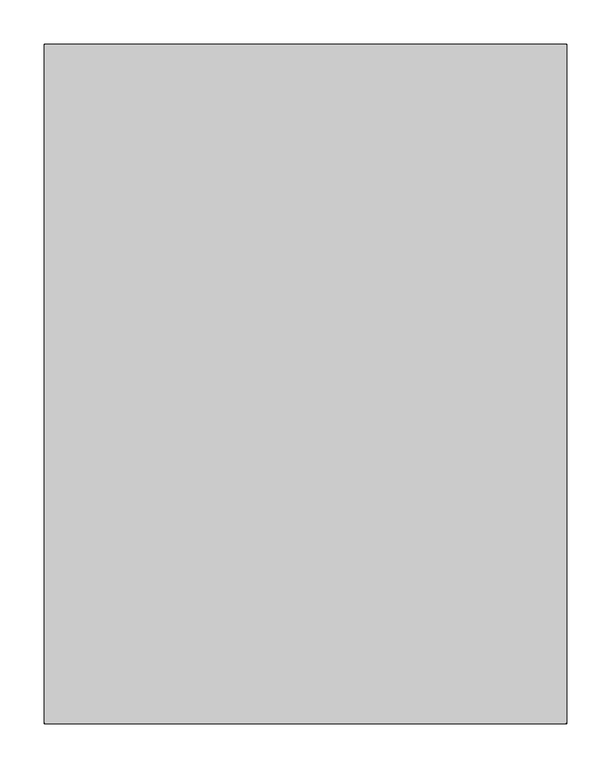
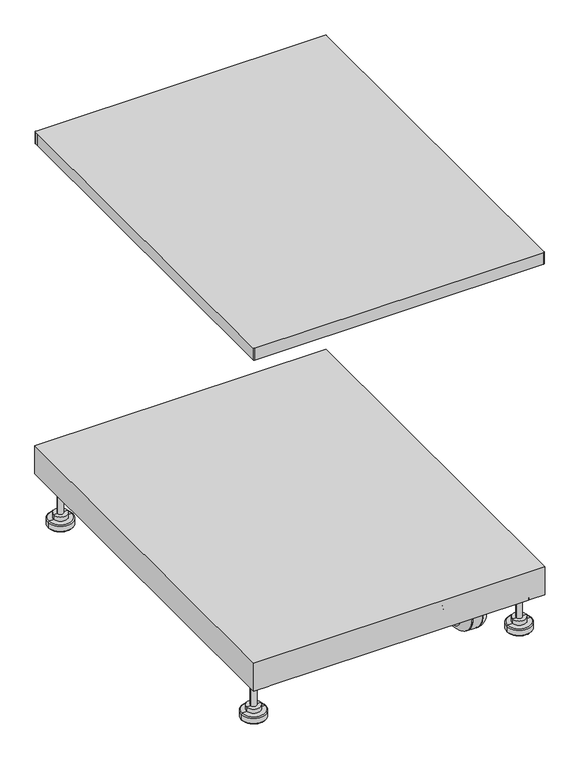
"""IFC4 building model written with IfcOpenShell, lengths in millimetres: proxy geometry."""

from ifc_helpers import new_model, si_unit, point, frame, frame_2d, origin, place, context, project, spatial, polyline, circle_curve, ellipse_curve, trimmed, segment, composite_curve, outline, extrude, source, transform, mapped, element, save
from ifc_brep_helpers import plane_surface, cylinder_surface, revolved_surface, advanced_brep


def specialty_equipment_f11e9312(model_context):
    return source(origin(), model_context, "Body", "SolidModel", [
        advanced_brep(
        [(214.9180611, -283.1953771, 87.8717833), (214.9180611, -283.1953771, 13.5282167), (201.3938056, -283.1953771, 0.0), (201.3938056, -283.1953771, 101.4), (199.9237778, -283.1953771, 87.8717833), (199.9237778, -283.1953771, 13.5282167), (199.9237778, -283.1953771, 101.4), (199.9237778, -283.1953771, 0.0)],
        [
            (0, 1, circle_curve(frame((214.9180611, -283.1953771, 50.7), z_axis=(-1.0, 0.0, 0.0), x_axis=(0.0, 0.0, -1.0)), 37.1717833)),
            (1, 2, circle_curve(frame((199.1270173, -283.1953771, 15.7903806), z_axis=(0.0, 1.0, 0.0), x_axis=(-1.0, 0.0, 0.0)), 15.9522553)),
            (2, 3, circle_curve(frame((201.3938056, -283.1953771, 50.7), z_axis=(1.0, 0.0, 0.0), x_axis=(0.0, 0.0, -1.0)), 50.7)),
            (3, 0, circle_curve(frame((199.1270173, -283.1953771, 85.6096194), z_axis=(0.0, 1.0, 0.0), x_axis=(-1.0, 0.0, 0.0)), 15.9522553)),
            (1, 0, circle_curve(frame((214.9180611, -283.1953771, 50.7), z_axis=(-1.0, 0.0, 0.0), x_axis=(0.0, 0.0, -1.0)), 37.1717833)),
            (3, 2, circle_curve(frame((201.3938056, -283.1953771, 50.7), z_axis=(1.0, 0.0, 0.0), x_axis=(0.0, 0.0, -1.0)), 50.7)),
            (4, 5, circle_curve(frame((199.9237778, -283.1953771, 50.7), z_axis=(-1.0, 0.0, 0.0), x_axis=(0.0, 0.0, -1.0)), 37.1717833)),
            (5, 1),
            (0, 4),
            (5, 4, circle_curve(frame((199.9237778, -283.1953771, 50.7), z_axis=(-1.0, 0.0, 0.0), x_axis=(0.0, 0.0, -1.0)), 37.1717833)),
            (6, 7, circle_curve(frame((199.9237778, -283.1953771, 50.7), z_axis=(-1.0, 0.0, 0.0), x_axis=(0.0, 0.0, -1.0)), 50.7)),
            (7, 5),
            (4, 6),
            (7, 6, circle_curve(frame((199.9237778, -283.1953771, 50.7), z_axis=(-1.0, 0.0, 0.0), x_axis=(0.0, 0.0, -1.0)), 50.7)),
            (2, 7),
            (6, 3),
        ],
        [
            revolved_surface(trimmed(ellipse_curve(frame((199.1270173, -283.1953771, 15.7903806), z_axis=(0.0, -1.0, 0.0), x_axis=(-1.0, 0.0, 0.0)), 15.9522553, 15.9522553), [point((201.3938056, -283.1953771, 0.0))], [point((214.9180611, -283.1953771, 13.5282167))], True, "CARTESIAN"), (234.6164333, -283.1953771, 50.7), (1.0, 0.0, 0.0)),
            revolved_surface(polyline([(214.9180611, -283.1953771, 13.528216700000002), (199.9237778, -283.1953771, 13.528216700000002)]), (234.6164333, -283.1953771, 50.7), (1.0, 0.0, 0.0)),
            plane_surface(frame((199.9237778, -283.1953771, 50.7), z_axis=(-1.0, 0.0, 0.0), x_axis=(0.0, 0.0, -1.0))),
            cylinder_surface(frame((234.6164333, -283.1953771, 50.7), z_axis=(1.0, 0.0, 0.0), x_axis=(0.0, 0.0, -1.0)), 50.7),
        ],
        [
            (0, [[1, 2, 3, 4]]),
            (0, [[5, -4, 6, -2]]),
            (1, [[7, 8, -1, 9]]),
            (1, [[10, -9, -5, -8]]),
            (2, [[11, 12, -7, 13]]),
            (2, [[14, -13, -10, -12]]),
            (3, [[-3, 15, -11, 16]]),
            (3, [[-6, -16, -14, -15]]),
        ],
    ),
        advanced_brep(
        [(179.9314, -283.1953771, 101.4), (179.9314, -283.1953771, 0.0), (178.4613722, -283.1953771, 0.0), (178.4613722, -283.1953771, 101.4), (179.9314, -283.1953771, 87.8717833), (179.9314, -283.1953771, 13.5282167), (164.9371167, -283.1953771, 87.8717833), (164.9371167, -283.1953771, 13.5282167)],
        [
            (0, 1, circle_curve(frame((179.9314, -283.1953771, 50.7), z_axis=(-1.0, 0.0, 0.0), x_axis=(0.0, 0.0, -1.0)), 50.7)),
            (1, 2),
            (2, 3, circle_curve(frame((178.4613722, -283.1953771, 50.7), z_axis=(1.0, 0.0, 0.0), x_axis=(0.0, 0.0, -1.0)), 50.7)),
            (3, 0),
            (1, 0, circle_curve(frame((179.9314, -283.1953771, 50.7), z_axis=(-1.0, 0.0, 0.0), x_axis=(0.0, 0.0, -1.0)), 50.7)),
            (3, 2, circle_curve(frame((178.4613722, -283.1953771, 50.7), z_axis=(1.0, 0.0, 0.0), x_axis=(0.0, 0.0, -1.0)), 50.7)),
            (4, 5, circle_curve(frame((179.9314, -283.1953771, 50.7), z_axis=(-1.0, 0.0, 0.0), x_axis=(0.0, 0.0, -1.0)), 37.1717833)),
            (5, 1),
            (0, 4),
            (5, 4, circle_curve(frame((179.9314, -283.1953771, 50.7), z_axis=(-1.0, 0.0, 0.0), x_axis=(0.0, 0.0, -1.0)), 37.1717833)),
            (6, 7, circle_curve(frame((164.9371167, -283.1953771, 50.7), z_axis=(-1.0, 0.0, 0.0), x_axis=(0.0, 0.0, -1.0)), 37.1717833)),
            (7, 5),
            (4, 6),
            (7, 6, circle_curve(frame((164.9371167, -283.1953771, 50.7), z_axis=(-1.0, 0.0, 0.0), x_axis=(0.0, 0.0, -1.0)), 37.1717833)),
            (2, 7, circle_curve(frame((180.7281604, -283.1953771, 15.7903806), z_axis=(0.0, 1.0, 0.0), x_axis=(1.0, 0.0, 0.0)), 15.9522553)),
            (6, 3, circle_curve(frame((180.7281604, -283.1953771, 85.6096194), z_axis=(0.0, 1.0, 0.0), x_axis=(1.0, 0.0, 0.0)), 15.9522553)),
        ],
        [
            cylinder_surface(frame((234.6164333, -283.1953771, 50.7), z_axis=(1.0, 0.0, 0.0), x_axis=(0.0, 0.0, -1.0)), 50.7),
            plane_surface(frame((179.9314, -283.1953771, 50.7), z_axis=(1.0, 0.0, 0.0), x_axis=(0.0, 0.0, -1.0))),
            revolved_surface(polyline([(179.9314, -283.1953771, 13.528216700000002), (164.9371167, -283.1953771, 13.528216700000002)]), (234.6164333, -283.1953771, 50.7), (1.0, 0.0, 0.0)),
            revolved_surface(trimmed(ellipse_curve(frame((180.7281604, -283.1953771, 15.7903806), z_axis=(0.0, -1.0, 0.0), x_axis=(1.0, 0.0, 0.0)), 15.9522553, 15.9522553), [point((164.9371167, -283.1953771, 13.5282167))], [point((178.4613722, -283.1953771, 0.0))], True, "CARTESIAN"), (234.6164333, -283.1953771, 50.7), (1.0, 0.0, 0.0)),
        ],
        [
            (0, [[1, 2, 3, 4]]),
            (0, [[5, -4, 6, -2]]),
            (1, [[7, 8, -1, 9]]),
            (1, [[10, -9, -5, -8]]),
            (2, [[11, 12, -7, 13]]),
            (2, [[14, -13, -10, -12]]),
            (3, [[-3, 15, -11, 16]]),
            (3, [[-6, -16, -14, -15]]),
        ],
    ),
        extrude(outline(composite_curve([segment(trimmed(circle_curve(frame_2d((-283.1953771, 50.7333101)), 50.7275853), [point((-232.4677918, 50.7333101))], [point((-333.9229623, 50.7333101))], False, "CARTESIAN"), True, "CONTINUOUS"), segment(trimmed(circle_curve(frame_2d((-283.1953771, 50.7333101)), 50.7275853), [point((-333.9229623, 50.7333101))], [point((-232.4677918, 50.7333101))], False, "CARTESIAN"), True, "CONTINUOUS")], self_intersect=False), holes=[composite_curve([segment(trimmed(circle_curve(frame_2d((-283.1953771, 50.7333101)), 37.2275853), [point((-245.9677918, 50.7333101))], [point((-320.4229623, 50.7333101))], True, "CARTESIAN"), True, "CONTINUOUS"), segment(trimmed(circle_curve(frame_2d((-283.1953771, 50.7333101)), 37.2275853), [point((-320.4229623, 50.7333101))], [point((-245.9677918, 50.7333101))], True, "CARTESIAN"), True, "CONTINUOUS")], self_intersect=False)]), frame((179.9314, 0.0, 0.0), z_axis=(1.0, 0.0, 0.0), x_axis=(0.0, 1.0, 0.0)), (0.0, 0.0, 1.0), 19.9923778),
        advanced_brep(
        [(270.0441028, -340.1644278, 0.0), (246.08265, -340.1644278, 0.0), (294.0055556, -340.1644278, 0.0), (276.0712167, -340.1644278, 95.5797917), (264.0169889, -340.1644278, 95.5797917), (270.0441028, -340.1644278, 95.5797917), (276.0712167, -340.1644278, 89.99205), (264.0169889, -340.1644278, 89.99205), (276.0712167, -340.1644278, 25.0212674), (264.0169889, -340.1644278, 25.0212674), (284.0283447, -340.1644278, 25.0212674), (256.0598608, -340.1644278, 25.0212674), (284.0283447, -340.1644278, 16.1978413), (256.0598608, -340.1644278, 16.1978413), (281.9513278, -340.1644278, 14.998675), (258.1368778, -340.1644278, 14.998675), (293.1229361, -340.1644278, 14.998675), (246.9652694, -340.1644278, 14.998675), (295.1815778, -340.1644278, 12.9400333), (244.9066278, -340.1644278, 12.9400333), (295.1815778, -340.1644278, 2.0586417), (244.9066278, -340.1644278, 2.0586417), (294.0055556, -340.1644278, 2.0586417), (246.08265, -340.1644278, 2.0586417)],
        [
            (0, 1),
            (1, 2, circle_curve(frame((270.0441028, -340.1644278, 0.0), z_axis=(0.0, 0.0, -1.0), x_axis=(-1.0, 0.0, 0.0)), 23.9614528)),
            (2, 0),
            (2, 1, circle_curve(frame((270.0441028, -340.1644278, 0.0), z_axis=(0.0, 0.0, -1.0), x_axis=(-1.0, 0.0, 0.0)), 23.9614528)),
            (3, 4, circle_curve(frame((270.0441028, -340.1644278, 95.5797917), z_axis=(0.0, 0.0, 1.0), x_axis=(-1.0, 0.0, 0.0)), 6.0271139)),
            (4, 5),
            (5, 3),
            (4, 3, circle_curve(frame((270.0441028, -340.1644278, 95.5797917), z_axis=(0.0, 0.0, 1.0), x_axis=(-1.0, 0.0, 0.0)), 6.0271139)),
            (6, 7, circle_curve(frame((270.0441028, -340.1644278, 89.99205), z_axis=(0.0, 0.0, 1.0), x_axis=(-1.0, 0.0, 0.0)), 6.0271139)),
            (7, 4),
            (3, 6),
            (7, 6, circle_curve(frame((270.0441028, -340.1644278, 89.99205), z_axis=(0.0, 0.0, 1.0), x_axis=(-1.0, 0.0, 0.0)), 6.0271139)),
            (8, 9, circle_curve(frame((270.0441028, -340.1644278, 25.0212674), z_axis=(0.0, 0.0, 1.0), x_axis=(-1.0, 0.0, 0.0)), 6.0271139)),
            (9, 7),
            (6, 8),
            (9, 8, circle_curve(frame((270.0441028, -340.1644278, 25.0212674), z_axis=(0.0, 0.0, 1.0), x_axis=(-1.0, 0.0, 0.0)), 6.0271139)),
            (10, 11, circle_curve(frame((270.0441028, -340.1644278, 25.0212674), z_axis=(0.0, 0.0, 1.0), x_axis=(-1.0, 0.0, 0.0)), 13.9842419)),
            (11, 9),
            (8, 10),
            (11, 10, circle_curve(frame((270.0441028, -340.1644278, 25.0212674), z_axis=(0.0, 0.0, 1.0), x_axis=(-1.0, 0.0, 0.0)), 13.9842419)),
            (12, 13, circle_curve(frame((270.0441028, -340.1644278, 16.1978413), z_axis=(0.0, 0.0, 1.0), x_axis=(-1.0, 0.0, 0.0)), 13.9842419)),
            (13, 11),
            (10, 12),
            (13, 12, circle_curve(frame((270.0441028, -340.1644278, 16.1978413), z_axis=(0.0, 0.0, 1.0), x_axis=(-1.0, 0.0, 0.0)), 13.9842419)),
            (14, 15, circle_curve(frame((270.0441028, -340.1644278, 14.998675), z_axis=(0.0, 0.0, 1.0), x_axis=(-1.0, 0.0, 0.0)), 11.907225)),
            (15, 13),
            (12, 14),
            (15, 14, circle_curve(frame((270.0441028, -340.1644278, 14.998675), z_axis=(0.0, 0.0, 1.0), x_axis=(-1.0, 0.0, 0.0)), 11.907225)),
            (16, 17, circle_curve(frame((270.0441028, -340.1644278, 14.998675), z_axis=(0.0, 0.0, 1.0), x_axis=(-1.0, 0.0, 0.0)), 23.0788333)),
            (17, 15),
            (14, 16),
            (17, 16, circle_curve(frame((270.0441028, -340.1644278, 14.998675), z_axis=(0.0, 0.0, 1.0), x_axis=(-1.0, 0.0, 0.0)), 23.0788333)),
            (18, 19, circle_curve(frame((270.0441028, -340.1644278, 12.9400333), z_axis=(0.0, 0.0, 1.0), x_axis=(-1.0, 0.0, 0.0)), 25.137475)),
            (19, 17, circle_curve(frame((246.9652694, -340.1644278, 12.9400333), z_axis=(0.0, 1.0, 0.0), x_axis=(1.0, 0.0, 0.0)), 2.0586417)),
            (16, 18, circle_curve(frame((293.1229361, -340.1644278, 12.9400333), z_axis=(0.0, 1.0, 0.0), x_axis=(-1.0, 0.0, 0.0)), 2.0586417)),
            (19, 18, circle_curve(frame((270.0441028, -340.1644278, 12.9400333), z_axis=(0.0, 0.0, 1.0), x_axis=(-1.0, 0.0, 0.0)), 25.137475)),
            (20, 21, circle_curve(frame((270.0441028, -340.1644278, 2.0586417), z_axis=(0.0, 0.0, 1.0), x_axis=(-1.0, 0.0, 0.0)), 25.137475)),
            (21, 19),
            (18, 20),
            (21, 20, circle_curve(frame((270.0441028, -340.1644278, 2.0586417), z_axis=(0.0, 0.0, 1.0), x_axis=(-1.0, 0.0, 0.0)), 25.137475)),
            (22, 23, circle_curve(frame((270.0441028, -340.1644278, 2.0586417), z_axis=(0.0, 0.0, 1.0), x_axis=(-1.0, 0.0, 0.0)), 23.9614528)),
            (23, 21),
            (20, 22),
            (23, 22, circle_curve(frame((270.0441028, -340.1644278, 2.0586417), z_axis=(0.0, 0.0, 1.0), x_axis=(-1.0, 0.0, 0.0)), 23.9614528)),
            (1, 23),
            (22, 2),
        ],
        [
            plane_surface(frame((270.0441028, -340.1644278, 0.0), z_axis=(0.0, 0.0, -1.0), x_axis=(-1.0, 0.0, 0.0))),
            plane_surface(frame((270.0441028, -340.1644278, 95.5797917), z_axis=(0.0, 0.0, 1.0), x_axis=(-1.0, 0.0, 0.0))),
            cylinder_surface(frame((270.0441028, -340.1644278, 105.5797917), z_axis=(0.0, 0.0, -1.0), x_axis=(-1.0, 0.0, 0.0)), 6.0271139),
            plane_surface(frame((270.0441028, -340.1644278, 25.0212674), z_axis=(0.0, 0.0, 1.0), x_axis=(-1.0, 0.0, 0.0))),
            cylinder_surface(frame((270.0441028, -340.1644278, 105.5797917), z_axis=(0.0, 0.0, -1.0), x_axis=(-1.0, 0.0, 0.0)), 13.9842419),
            revolved_surface(polyline([(256.0598608, -340.1644278, 16.1978413), (258.1368778, -340.1644278, 14.998675)]), (270.0441028, -340.1644278, 105.5797917), (0.0, 0.0, -1.0)),
            plane_surface(frame((270.0441028, -340.1644278, 14.998675), z_axis=(0.0, 0.0, 1.0), x_axis=(-1.0, 0.0, 0.0))),
            revolved_surface(trimmed(ellipse_curve(frame((246.9652694, -340.1644278, 12.9400333), z_axis=(0.0, -1.0, 0.0), x_axis=(1.0, 0.0, 0.0)), 2.0586417, 2.0586417), [point((246.9652694, -340.1644278, 14.998675))], [point((244.9066278, -340.1644278, 12.9400333))], True, "CARTESIAN"), (270.0441028, -340.1644278, 105.5797917), (0.0, 0.0, -1.0)),
            cylinder_surface(frame((270.0441028, -340.1644278, 105.5797917), z_axis=(0.0, 0.0, -1.0), x_axis=(-1.0, 0.0, 0.0)), 25.137475),
            plane_surface(frame((270.0441028, -340.1644278, 2.0586417), z_axis=(0.0, 0.0, -1.0), x_axis=(-1.0, 0.0, 0.0))),
            cylinder_surface(frame((270.0441028, -340.1644278, 105.5797917), z_axis=(0.0, 0.0, -1.0), x_axis=(-1.0, 0.0, 0.0)), 23.9614528),
        ],
        [
            (0, [[1, 2, 3]]),
            (0, [[-3, 4, -1]]),
            (1, [[5, 6, 7]]),
            (1, [[8, -7, -6]]),
            (2, [[9, 10, -5, 11]]),
            (2, [[12, -11, -8, -10]]),
            (2, [[13, 14, -9, 15]]),
            (2, [[16, -15, -12, -14]]),
            (3, [[17, 18, -13, 19]]),
            (3, [[20, -19, -16, -18]]),
            (4, [[21, 22, -17, 23]]),
            (4, [[24, -23, -20, -22]]),
            (5, [[25, 26, -21, 27]]),
            (5, [[28, -27, -24, -26]]),
            (6, [[29, 30, -25, 31]]),
            (6, [[32, -31, -28, -30]]),
            (7, [[33, 34, -29, 35]]),
            (7, [[36, -35, -32, -34]]),
            (8, [[37, 38, -33, 39]]),
            (8, [[40, -39, -36, -38]]),
            (9, [[41, 42, -37, 43]]),
            (9, [[44, -43, -40, -42]]),
            (10, [[-2, 45, -41, 46]]),
            (10, [[-4, -46, -44, -45]]),
        ],
    ),
        advanced_brep(
        [(-270.0441028, -340.1644278, 0.0), (-294.0055556, -340.1644278, 0.0), (-246.08265, -340.1644278, 0.0), (-264.0169889, -340.1644278, 95.5797917), (-276.0712167, -340.1644278, 95.5797917), (-270.0441028, -340.1644278, 95.5797917), (-264.0169889, -340.1644278, 89.99205), (-276.0712167, -340.1644278, 89.99205), (-264.0169889, -340.1644278, 25.0212674), (-276.0712167, -340.1644278, 25.0212674), (-256.0598608, -340.1644278, 25.0212674), (-284.0283447, -340.1644278, 25.0212674), (-256.0598608, -340.1644278, 16.1978413), (-284.0283447, -340.1644278, 16.1978413), (-258.1368778, -340.1644278, 14.998675), (-281.9513278, -340.1644278, 14.998675), (-246.9652694, -340.1644278, 14.998675), (-293.1229361, -340.1644278, 14.998675), (-244.9066278, -340.1644278, 12.9400333), (-295.1815778, -340.1644278, 12.9400333), (-244.9066278, -340.1644278, 2.0586417), (-295.1815778, -340.1644278, 2.0586417), (-246.08265, -340.1644278, 2.0586417), (-294.0055556, -340.1644278, 2.0586417)],
        [
            (0, 1),
            (1, 2, circle_curve(frame((-270.0441028, -340.1644278, 0.0), z_axis=(0.0, 0.0, -1.0), x_axis=(-1.0, 0.0, 0.0)), 23.9614528)),
            (2, 0),
            (2, 1, circle_curve(frame((-270.0441028, -340.1644278, 0.0), z_axis=(0.0, 0.0, -1.0), x_axis=(-1.0, 0.0, 0.0)), 23.9614528)),
            (3, 4, circle_curve(frame((-270.0441028, -340.1644278, 95.5797917), z_axis=(0.0, 0.0, 1.0), x_axis=(-1.0, 0.0, 0.0)), 6.0271139)),
            (4, 5),
            (5, 3),
            (4, 3, circle_curve(frame((-270.0441028, -340.1644278, 95.5797917), z_axis=(0.0, 0.0, 1.0), x_axis=(-1.0, 0.0, 0.0)), 6.0271139)),
            (6, 7, circle_curve(frame((-270.0441028, -340.1644278, 89.99205), z_axis=(0.0, 0.0, 1.0), x_axis=(-1.0, 0.0, 0.0)), 6.0271139)),
            (7, 4),
            (3, 6),
            (7, 6, circle_curve(frame((-270.0441028, -340.1644278, 89.99205), z_axis=(0.0, 0.0, 1.0), x_axis=(-1.0, 0.0, 0.0)), 6.0271139)),
            (8, 9, circle_curve(frame((-270.0441028, -340.1644278, 25.0212674), z_axis=(0.0, 0.0, 1.0), x_axis=(-1.0, 0.0, 0.0)), 6.0271139)),
            (9, 7),
            (6, 8),
            (9, 8, circle_curve(frame((-270.0441028, -340.1644278, 25.0212674), z_axis=(0.0, 0.0, 1.0), x_axis=(-1.0, 0.0, 0.0)), 6.0271139)),
            (10, 11, circle_curve(frame((-270.0441028, -340.1644278, 25.0212674), z_axis=(0.0, 0.0, 1.0), x_axis=(-1.0, 0.0, 0.0)), 13.9842419)),
            (11, 9),
            (8, 10),
            (11, 10, circle_curve(frame((-270.0441028, -340.1644278, 25.0212674), z_axis=(0.0, 0.0, 1.0), x_axis=(-1.0, 0.0, 0.0)), 13.9842419)),
            (12, 13, circle_curve(frame((-270.0441028, -340.1644278, 16.1978413), z_axis=(0.0, 0.0, 1.0), x_axis=(-1.0, 0.0, 0.0)), 13.9842419)),
            (13, 11),
            (10, 12),
            (13, 12, circle_curve(frame((-270.0441028, -340.1644278, 16.1978413), z_axis=(0.0, 0.0, 1.0), x_axis=(-1.0, 0.0, 0.0)), 13.9842419)),
            (14, 15, circle_curve(frame((-270.0441028, -340.1644278, 14.998675), z_axis=(0.0, 0.0, 1.0), x_axis=(-1.0, 0.0, 0.0)), 11.907225)),
            (15, 13),
            (12, 14),
            (15, 14, circle_curve(frame((-270.0441028, -340.1644278, 14.998675), z_axis=(0.0, 0.0, 1.0), x_axis=(-1.0, 0.0, 0.0)), 11.907225)),
            (16, 17, circle_curve(frame((-270.0441028, -340.1644278, 14.998675), z_axis=(0.0, 0.0, 1.0), x_axis=(-1.0, 0.0, 0.0)), 23.0788333)),
            (17, 15),
            (14, 16),
            (17, 16, circle_curve(frame((-270.0441028, -340.1644278, 14.998675), z_axis=(0.0, 0.0, 1.0), x_axis=(-1.0, 0.0, 0.0)), 23.0788333)),
            (18, 19, circle_curve(frame((-270.0441028, -340.1644278, 12.9400333), z_axis=(0.0, 0.0, 1.0), x_axis=(-1.0, 0.0, 0.0)), 25.137475)),
            (19, 17, circle_curve(frame((-293.1229361, -340.1644278, 12.9400333), z_axis=(0.0, 1.0, 0.0), x_axis=(1.0, 0.0, 0.0)), 2.0586417)),
            (16, 18, circle_curve(frame((-246.9652694, -340.1644278, 12.9400333), z_axis=(0.0, 1.0, 0.0), x_axis=(-1.0, 0.0, 0.0)), 2.0586417)),
            (19, 18, circle_curve(frame((-270.0441028, -340.1644278, 12.9400333), z_axis=(0.0, 0.0, 1.0), x_axis=(-1.0, 0.0, 0.0)), 25.137475)),
            (20, 21, circle_curve(frame((-270.0441028, -340.1644278, 2.0586417), z_axis=(0.0, 0.0, 1.0), x_axis=(-1.0, 0.0, 0.0)), 25.137475)),
            (21, 19),
            (18, 20),
            (21, 20, circle_curve(frame((-270.0441028, -340.1644278, 2.0586417), z_axis=(0.0, 0.0, 1.0), x_axis=(-1.0, 0.0, 0.0)), 25.137475)),
            (22, 23, circle_curve(frame((-270.0441028, -340.1644278, 2.0586417), z_axis=(0.0, 0.0, 1.0), x_axis=(-1.0, 0.0, 0.0)), 23.9614528)),
            (23, 21),
            (20, 22),
            (23, 22, circle_curve(frame((-270.0441028, -340.1644278, 2.0586417), z_axis=(0.0, 0.0, 1.0), x_axis=(-1.0, 0.0, 0.0)), 23.9614528)),
            (1, 23),
            (22, 2),
        ],
        [
            plane_surface(frame((-270.0441028, -340.1644278, 0.0), z_axis=(0.0, 0.0, -1.0), x_axis=(-1.0, 0.0, 0.0))),
            plane_surface(frame((-270.0441028, -340.1644278, 95.5797917), z_axis=(0.0, 0.0, 1.0), x_axis=(-1.0, 0.0, 0.0))),
            cylinder_surface(frame((-270.0441028, -340.1644278, 105.5797917), z_axis=(0.0, 0.0, -1.0), x_axis=(-1.0, 0.0, 0.0)), 6.0271139),
            plane_surface(frame((-270.0441028, -340.1644278, 25.0212674), z_axis=(0.0, 0.0, 1.0), x_axis=(-1.0, 0.0, 0.0))),
            cylinder_surface(frame((-270.0441028, -340.1644278, 105.5797917), z_axis=(0.0, 0.0, -1.0), x_axis=(-1.0, 0.0, 0.0)), 13.9842419),
            revolved_surface(polyline([(-284.0283447, -340.1644278, 16.1978413), (-281.9513278, -340.1644278, 14.998675)]), (-270.0441028, -340.1644278, 105.5797917), (0.0, 0.0, -1.0)),
            plane_surface(frame((-270.0441028, -340.1644278, 14.998675), z_axis=(0.0, 0.0, 1.0), x_axis=(-1.0, 0.0, 0.0))),
            revolved_surface(trimmed(ellipse_curve(frame((-293.1229361, -340.1644278, 12.9400333), z_axis=(0.0, -1.0, 0.0), x_axis=(1.0, 0.0, 0.0)), 2.0586417, 2.0586417), [point((-293.1229361, -340.1644278, 14.998675))], [point((-295.1815778, -340.1644278, 12.9400333))], True, "CARTESIAN"), (-270.0441028, -340.1644278, 105.5797917), (0.0, 0.0, -1.0)),
            cylinder_surface(frame((-270.0441028, -340.1644278, 105.5797917), z_axis=(0.0, 0.0, -1.0), x_axis=(-1.0, 0.0, 0.0)), 25.137475),
            plane_surface(frame((-270.0441028, -340.1644278, 2.0586417), z_axis=(0.0, 0.0, -1.0), x_axis=(-1.0, 0.0, 0.0))),
            cylinder_surface(frame((-270.0441028, -340.1644278, 105.5797917), z_axis=(0.0, 0.0, -1.0), x_axis=(-1.0, 0.0, 0.0)), 23.9614528),
        ],
        [
            (0, [[1, 2, 3]]),
            (0, [[-3, 4, -1]]),
            (1, [[5, 6, 7]]),
            (1, [[8, -7, -6]]),
            (2, [[9, 10, -5, 11]]),
            (2, [[12, -11, -8, -10]]),
            (2, [[13, 14, -9, 15]]),
            (2, [[16, -15, -12, -14]]),
            (3, [[17, 18, -13, 19]]),
            (3, [[20, -19, -16, -18]]),
            (4, [[21, 22, -17, 23]]),
            (4, [[24, -23, -20, -22]]),
            (5, [[25, 26, -21, 27]]),
            (5, [[28, -27, -24, -26]]),
            (6, [[29, 30, -25, 31]]),
            (6, [[32, -31, -28, -30]]),
            (7, [[33, 34, -29, 35]]),
            (7, [[36, -35, -32, -34]]),
            (8, [[37, 38, -33, 39]]),
            (8, [[40, -39, -36, -38]]),
            (9, [[41, 42, -37, 43]]),
            (9, [[44, -43, -40, -42]]),
            (10, [[-2, 45, -41, 46]]),
            (10, [[-4, -46, -44, -45]]),
        ],
    ),
        advanced_brep(
        [(270.0441028, 340.1644278, 0.0), (246.08265, 340.1644278, 0.0), (294.0055556, 340.1644278, 0.0), (276.0712167, 340.1644278, 95.5797917), (264.0169889, 340.1644278, 95.5797917), (270.0441028, 340.1644278, 95.5797917), (276.0712167, 340.1644278, 89.99205), (264.0169889, 340.1644278, 89.99205), (276.0712167, 340.1644278, 25.0212674), (264.0169889, 340.1644278, 25.0212674), (284.0283447, 340.1644278, 25.0212674), (256.0598608, 340.1644278, 25.0212674), (284.0283447, 340.1644278, 16.1978413), (256.0598608, 340.1644278, 16.1978413), (281.9513278, 340.1644278, 14.998675), (258.1368778, 340.1644278, 14.998675), (293.1229361, 340.1644278, 14.998675), (246.9652694, 340.1644278, 14.998675), (295.1815778, 340.1644278, 12.9400333), (244.9066278, 340.1644278, 12.9400333), (295.1815778, 340.1644278, 2.0586417), (244.9066278, 340.1644278, 2.0586417), (294.0055556, 340.1644278, 2.0586417), (246.08265, 340.1644278, 2.0586417)],
        [
            (0, 1),
            (1, 2, circle_curve(frame((270.0441028, 340.1644278, 0.0), z_axis=(0.0, 0.0, -1.0), x_axis=(-1.0, 0.0, 0.0)), 23.9614528)),
            (2, 0),
            (2, 1, circle_curve(frame((270.0441028, 340.1644278, 0.0), z_axis=(0.0, 0.0, -1.0), x_axis=(-1.0, 0.0, 0.0)), 23.9614528)),
            (3, 4, circle_curve(frame((270.0441028, 340.1644278, 95.5797917), z_axis=(0.0, 0.0, 1.0), x_axis=(-1.0, 0.0, 0.0)), 6.0271139)),
            (4, 5),
            (5, 3),
            (4, 3, circle_curve(frame((270.0441028, 340.1644278, 95.5797917), z_axis=(0.0, 0.0, 1.0), x_axis=(-1.0, 0.0, 0.0)), 6.0271139)),
            (6, 7, circle_curve(frame((270.0441028, 340.1644278, 89.99205), z_axis=(0.0, 0.0, 1.0), x_axis=(-1.0, 0.0, 0.0)), 6.0271139)),
            (7, 4),
            (3, 6),
            (7, 6, circle_curve(frame((270.0441028, 340.1644278, 89.99205), z_axis=(0.0, 0.0, 1.0), x_axis=(-1.0, 0.0, 0.0)), 6.0271139)),
            (8, 9, circle_curve(frame((270.0441028, 340.1644278, 25.0212674), z_axis=(0.0, 0.0, 1.0), x_axis=(-1.0, 0.0, 0.0)), 6.0271139)),
            (9, 7),
            (6, 8),
            (9, 8, circle_curve(frame((270.0441028, 340.1644278, 25.0212674), z_axis=(0.0, 0.0, 1.0), x_axis=(-1.0, 0.0, 0.0)), 6.0271139)),
            (10, 11, circle_curve(frame((270.0441028, 340.1644278, 25.0212674), z_axis=(0.0, 0.0, 1.0), x_axis=(-1.0, 0.0, 0.0)), 13.9842419)),
            (11, 9),
            (8, 10),
            (11, 10, circle_curve(frame((270.0441028, 340.1644278, 25.0212674), z_axis=(0.0, 0.0, 1.0), x_axis=(-1.0, 0.0, 0.0)), 13.9842419)),
            (12, 13, circle_curve(frame((270.0441028, 340.1644278, 16.1978413), z_axis=(0.0, 0.0, 1.0), x_axis=(-1.0, 0.0, 0.0)), 13.9842419)),
            (13, 11),
            (10, 12),
            (13, 12, circle_curve(frame((270.0441028, 340.1644278, 16.1978413), z_axis=(0.0, 0.0, 1.0), x_axis=(-1.0, 0.0, 0.0)), 13.9842419)),
            (14, 15, circle_curve(frame((270.0441028, 340.1644278, 14.998675), z_axis=(0.0, 0.0, 1.0), x_axis=(-1.0, 0.0, 0.0)), 11.907225)),
            (15, 13),
            (12, 14),
            (15, 14, circle_curve(frame((270.0441028, 340.1644278, 14.998675), z_axis=(0.0, 0.0, 1.0), x_axis=(-1.0, 0.0, 0.0)), 11.907225)),
            (16, 17, circle_curve(frame((270.0441028, 340.1644278, 14.998675), z_axis=(0.0, 0.0, 1.0), x_axis=(-1.0, 0.0, 0.0)), 23.0788333)),
            (17, 15),
            (14, 16),
            (17, 16, circle_curve(frame((270.0441028, 340.1644278, 14.998675), z_axis=(0.0, 0.0, 1.0), x_axis=(-1.0, 0.0, 0.0)), 23.0788333)),
            (18, 19, circle_curve(frame((270.0441028, 340.1644278, 12.9400333), z_axis=(0.0, 0.0, 1.0), x_axis=(-1.0, 0.0, 0.0)), 25.137475)),
            (19, 17, circle_curve(frame((246.9652694, 340.1644278, 12.9400333), z_axis=(0.0, 1.0, 0.0), x_axis=(1.0, 0.0, 0.0)), 2.0586417)),
            (16, 18, circle_curve(frame((293.1229361, 340.1644278, 12.9400333), z_axis=(0.0, 1.0, 0.0), x_axis=(-1.0, 0.0, 0.0)), 2.0586417)),
            (19, 18, circle_curve(frame((270.0441028, 340.1644278, 12.9400333), z_axis=(0.0, 0.0, 1.0), x_axis=(-1.0, 0.0, 0.0)), 25.137475)),
            (20, 21, circle_curve(frame((270.0441028, 340.1644278, 2.0586417), z_axis=(0.0, 0.0, 1.0), x_axis=(-1.0, 0.0, 0.0)), 25.137475)),
            (21, 19),
            (18, 20),
            (21, 20, circle_curve(frame((270.0441028, 340.1644278, 2.0586417), z_axis=(0.0, 0.0, 1.0), x_axis=(-1.0, 0.0, 0.0)), 25.137475)),
            (22, 23, circle_curve(frame((270.0441028, 340.1644278, 2.0586417), z_axis=(0.0, 0.0, 1.0), x_axis=(-1.0, 0.0, 0.0)), 23.9614528)),
            (23, 21),
            (20, 22),
            (23, 22, circle_curve(frame((270.0441028, 340.1644278, 2.0586417), z_axis=(0.0, 0.0, 1.0), x_axis=(-1.0, 0.0, 0.0)), 23.9614528)),
            (1, 23),
            (22, 2),
        ],
        [
            plane_surface(frame((270.0441028, 340.1644278, 0.0), z_axis=(0.0, 0.0, -1.0), x_axis=(-1.0, 0.0, 0.0))),
            plane_surface(frame((270.0441028, 340.1644278, 95.5797917), z_axis=(0.0, 0.0, 1.0), x_axis=(-1.0, 0.0, 0.0))),
            cylinder_surface(frame((270.0441028, 340.1644278, 105.5797917), z_axis=(0.0, 0.0, -1.0), x_axis=(-1.0, 0.0, 0.0)), 6.0271139),
            plane_surface(frame((270.0441028, 340.1644278, 25.0212674), z_axis=(0.0, 0.0, 1.0), x_axis=(-1.0, 0.0, 0.0))),
            cylinder_surface(frame((270.0441028, 340.1644278, 105.5797917), z_axis=(0.0, 0.0, -1.0), x_axis=(-1.0, 0.0, 0.0)), 13.9842419),
            revolved_surface(polyline([(256.0598608, 340.1644278, 16.1978413), (258.1368778, 340.1644278, 14.998675)]), (270.0441028, 340.1644278, 105.5797917), (0.0, 0.0, -1.0)),
            plane_surface(frame((270.0441028, 340.1644278, 14.998675), z_axis=(0.0, 0.0, 1.0), x_axis=(-1.0, 0.0, 0.0))),
            revolved_surface(trimmed(ellipse_curve(frame((246.9652694, 340.1644278, 12.9400333), z_axis=(0.0, -1.0, 0.0), x_axis=(1.0, 0.0, 0.0)), 2.0586417, 2.0586417), [point((246.9652694, 340.1644278, 14.998675))], [point((244.9066278, 340.1644278, 12.9400333))], True, "CARTESIAN"), (270.0441028, 340.1644278, 105.5797917), (0.0, 0.0, -1.0)),
            cylinder_surface(frame((270.0441028, 340.1644278, 105.5797917), z_axis=(0.0, 0.0, -1.0), x_axis=(-1.0, 0.0, 0.0)), 25.137475),
            plane_surface(frame((270.0441028, 340.1644278, 2.0586417), z_axis=(0.0, 0.0, -1.0), x_axis=(-1.0, 0.0, 0.0))),
            cylinder_surface(frame((270.0441028, 340.1644278, 105.5797917), z_axis=(0.0, 0.0, -1.0), x_axis=(-1.0, 0.0, 0.0)), 23.9614528),
        ],
        [
            (0, [[1, 2, 3]]),
            (0, [[-3, 4, -1]]),
            (1, [[5, 6, 7]]),
            (1, [[8, -7, -6]]),
            (2, [[9, 10, -5, 11]]),
            (2, [[12, -11, -8, -10]]),
            (2, [[13, 14, -9, 15]]),
            (2, [[16, -15, -12, -14]]),
            (3, [[17, 18, -13, 19]]),
            (3, [[20, -19, -16, -18]]),
            (4, [[21, 22, -17, 23]]),
            (4, [[24, -23, -20, -22]]),
            (5, [[25, 26, -21, 27]]),
            (5, [[28, -27, -24, -26]]),
            (6, [[29, 30, -25, 31]]),
            (6, [[32, -31, -28, -30]]),
            (7, [[33, 34, -29, 35]]),
            (7, [[36, -35, -32, -34]]),
            (8, [[37, 38, -33, 39]]),
            (8, [[40, -39, -36, -38]]),
            (9, [[41, 42, -37, 43]]),
            (9, [[44, -43, -40, -42]]),
            (10, [[-2, 45, -41, 46]]),
            (10, [[-4, -46, -44, -45]]),
        ],
    ),
        advanced_brep(
        [(-270.0441028, 340.1644278, 0.0), (-294.0055556, 340.1644278, 0.0), (-246.08265, 340.1644278, 0.0), (-264.0169889, 340.1644278, 95.5797917), (-276.0712167, 340.1644278, 95.5797917), (-270.0441028, 340.1644278, 95.5797917), (-264.0169889, 340.1644278, 89.99205), (-276.0712167, 340.1644278, 89.99205), (-264.0169889, 340.1644278, 25.0212674), (-276.0712167, 340.1644278, 25.0212674), (-256.0598608, 340.1644278, 25.0212674), (-284.0283447, 340.1644278, 25.0212674), (-256.0598608, 340.1644278, 16.1978413), (-284.0283447, 340.1644278, 16.1978413), (-258.1368778, 340.1644278, 14.998675), (-281.9513278, 340.1644278, 14.998675), (-246.9652694, 340.1644278, 14.998675), (-293.1229361, 340.1644278, 14.998675), (-244.9066278, 340.1644278, 12.9400333), (-295.1815778, 340.1644278, 12.9400333), (-244.9066278, 340.1644278, 2.0586417), (-295.1815778, 340.1644278, 2.0586417), (-246.08265, 340.1644278, 2.0586417), (-294.0055556, 340.1644278, 2.0586417)],
        [
            (0, 1),
            (1, 2, circle_curve(frame((-270.0441028, 340.1644278, 0.0), z_axis=(0.0, 0.0, -1.0), x_axis=(-1.0, 0.0, 0.0)), 23.9614528)),
            (2, 0),
            (2, 1, circle_curve(frame((-270.0441028, 340.1644278, 0.0), z_axis=(0.0, 0.0, -1.0), x_axis=(-1.0, 0.0, 0.0)), 23.9614528)),
            (3, 4, circle_curve(frame((-270.0441028, 340.1644278, 95.5797917), z_axis=(0.0, 0.0, 1.0), x_axis=(-1.0, 0.0, 0.0)), 6.0271139)),
            (4, 5),
            (5, 3),
            (4, 3, circle_curve(frame((-270.0441028, 340.1644278, 95.5797917), z_axis=(0.0, 0.0, 1.0), x_axis=(-1.0, 0.0, 0.0)), 6.0271139)),
            (6, 7, circle_curve(frame((-270.0441028, 340.1644278, 89.99205), z_axis=(0.0, 0.0, 1.0), x_axis=(-1.0, 0.0, 0.0)), 6.0271139)),
            (7, 4),
            (3, 6),
            (7, 6, circle_curve(frame((-270.0441028, 340.1644278, 89.99205), z_axis=(0.0, 0.0, 1.0), x_axis=(-1.0, 0.0, 0.0)), 6.0271139)),
            (8, 9, circle_curve(frame((-270.0441028, 340.1644278, 25.0212674), z_axis=(0.0, 0.0, 1.0), x_axis=(-1.0, 0.0, 0.0)), 6.0271139)),
            (9, 7),
            (6, 8),
            (9, 8, circle_curve(frame((-270.0441028, 340.1644278, 25.0212674), z_axis=(0.0, 0.0, 1.0), x_axis=(-1.0, 0.0, 0.0)), 6.0271139)),
            (10, 11, circle_curve(frame((-270.0441028, 340.1644278, 25.0212674), z_axis=(0.0, 0.0, 1.0), x_axis=(-1.0, 0.0, 0.0)), 13.9842419)),
            (11, 9),
            (8, 10),
            (11, 10, circle_curve(frame((-270.0441028, 340.1644278, 25.0212674), z_axis=(0.0, 0.0, 1.0), x_axis=(-1.0, 0.0, 0.0)), 13.9842419)),
            (12, 13, circle_curve(frame((-270.0441028, 340.1644278, 16.1978413), z_axis=(0.0, 0.0, 1.0), x_axis=(-1.0, 0.0, 0.0)), 13.9842419)),
            (13, 11),
            (10, 12),
            (13, 12, circle_curve(frame((-270.0441028, 340.1644278, 16.1978413), z_axis=(0.0, 0.0, 1.0), x_axis=(-1.0, 0.0, 0.0)), 13.9842419)),
            (14, 15, circle_curve(frame((-270.0441028, 340.1644278, 14.998675), z_axis=(0.0, 0.0, 1.0), x_axis=(-1.0, 0.0, 0.0)), 11.907225)),
            (15, 13),
            (12, 14),
            (15, 14, circle_curve(frame((-270.0441028, 340.1644278, 14.998675), z_axis=(0.0, 0.0, 1.0), x_axis=(-1.0, 0.0, 0.0)), 11.907225)),
            (16, 17, circle_curve(frame((-270.0441028, 340.1644278, 14.998675), z_axis=(0.0, 0.0, 1.0), x_axis=(-1.0, 0.0, 0.0)), 23.0788333)),
            (17, 15),
            (14, 16),
            (17, 16, circle_curve(frame((-270.0441028, 340.1644278, 14.998675), z_axis=(0.0, 0.0, 1.0), x_axis=(-1.0, 0.0, 0.0)), 23.0788333)),
            (18, 19, circle_curve(frame((-270.0441028, 340.1644278, 12.9400333), z_axis=(0.0, 0.0, 1.0), x_axis=(-1.0, 0.0, 0.0)), 25.137475)),
            (19, 17, circle_curve(frame((-293.1229361, 340.1644278, 12.9400333), z_axis=(0.0, 1.0, 0.0), x_axis=(1.0, 0.0, 0.0)), 2.0586417)),
            (16, 18, circle_curve(frame((-246.9652694, 340.1644278, 12.9400333), z_axis=(0.0, 1.0, 0.0), x_axis=(-1.0, 0.0, 0.0)), 2.0586417)),
            (19, 18, circle_curve(frame((-270.0441028, 340.1644278, 12.9400333), z_axis=(0.0, 0.0, 1.0), x_axis=(-1.0, 0.0, 0.0)), 25.137475)),
            (20, 21, circle_curve(frame((-270.0441028, 340.1644278, 2.0586417), z_axis=(0.0, 0.0, 1.0), x_axis=(-1.0, 0.0, 0.0)), 25.137475)),
            (21, 19),
            (18, 20),
            (21, 20, circle_curve(frame((-270.0441028, 340.1644278, 2.0586417), z_axis=(0.0, 0.0, 1.0), x_axis=(-1.0, 0.0, 0.0)), 25.137475)),
            (22, 23, circle_curve(frame((-270.0441028, 340.1644278, 2.0586417), z_axis=(0.0, 0.0, 1.0), x_axis=(-1.0, 0.0, 0.0)), 23.9614528)),
            (23, 21),
            (20, 22),
            (23, 22, circle_curve(frame((-270.0441028, 340.1644278, 2.0586417), z_axis=(0.0, 0.0, 1.0), x_axis=(-1.0, 0.0, 0.0)), 23.9614528)),
            (1, 23),
            (22, 2),
        ],
        [
            plane_surface(frame((-270.0441028, 340.1644278, 0.0), z_axis=(0.0, 0.0, -1.0), x_axis=(-1.0, 0.0, 0.0))),
            plane_surface(frame((-270.0441028, 340.1644278, 95.5797917), z_axis=(0.0, 0.0, 1.0), x_axis=(-1.0, 0.0, 0.0))),
            cylinder_surface(frame((-270.0441028, 340.1644278, 105.5797917), z_axis=(0.0, 0.0, -1.0), x_axis=(-1.0, 0.0, 0.0)), 6.0271139),
            plane_surface(frame((-270.0441028, 340.1644278, 25.0212674), z_axis=(0.0, 0.0, 1.0), x_axis=(-1.0, 0.0, 0.0))),
            cylinder_surface(frame((-270.0441028, 340.1644278, 105.5797917), z_axis=(0.0, 0.0, -1.0), x_axis=(-1.0, 0.0, 0.0)), 13.9842419),
            revolved_surface(polyline([(-284.0283447, 340.1644278, 16.1978413), (-281.9513278, 340.1644278, 14.998675)]), (-270.0441028, 340.1644278, 105.5797917), (0.0, 0.0, -1.0)),
            plane_surface(frame((-270.0441028, 340.1644278, 14.998675), z_axis=(0.0, 0.0, 1.0), x_axis=(-1.0, 0.0, 0.0))),
            revolved_surface(trimmed(ellipse_curve(frame((-293.1229361, 340.1644278, 12.9400333), z_axis=(0.0, -1.0, 0.0), x_axis=(1.0, 0.0, 0.0)), 2.0586417, 2.0586417), [point((-293.1229361, 340.1644278, 14.998675))], [point((-295.1815778, 340.1644278, 12.9400333))], True, "CARTESIAN"), (-270.0441028, 340.1644278, 105.5797917), (0.0, 0.0, -1.0)),
            cylinder_surface(frame((-270.0441028, 340.1644278, 105.5797917), z_axis=(0.0, 0.0, -1.0), x_axis=(-1.0, 0.0, 0.0)), 25.137475),
            plane_surface(frame((-270.0441028, 340.1644278, 2.0586417), z_axis=(0.0, 0.0, -1.0), x_axis=(-1.0, 0.0, 0.0))),
            cylinder_surface(frame((-270.0441028, 340.1644278, 105.5797917), z_axis=(0.0, 0.0, -1.0), x_axis=(-1.0, 0.0, 0.0)), 23.9614528),
        ],
        [
            (0, [[1, 2, 3]]),
            (0, [[-3, 4, -1]]),
            (1, [[5, 6, 7]]),
            (1, [[8, -7, -6]]),
            (2, [[9, 10, -5, 11]]),
            (2, [[12, -11, -8, -10]]),
            (2, [[13, 14, -9, 15]]),
            (2, [[16, -15, -12, -14]]),
            (3, [[17, 18, -13, 19]]),
            (3, [[20, -19, -16, -18]]),
            (4, [[21, 22, -17, 23]]),
            (4, [[24, -23, -20, -22]]),
            (5, [[25, 26, -21, 27]]),
            (5, [[28, -27, -24, -26]]),
            (6, [[29, 30, -25, 31]]),
            (6, [[32, -31, -28, -30]]),
            (7, [[33, 34, -29, 35]]),
            (7, [[36, -35, -32, -34]]),
            (8, [[37, 38, -33, 39]]),
            (8, [[40, -39, -36, -38]]),
            (9, [[41, 42, -37, 43]]),
            (9, [[44, -43, -40, -42]]),
            (10, [[-2, 45, -41, 46]]),
            (10, [[-4, -46, -44, -45]]),
        ],
    ),
        extrude(outline(polyline([(89.99205, -296.0635944), (89.99205, -264.605), (95.5797917, -264.605), (95.5797917, -263.1349722), (89.99205, -263.1349722), (89.99205, 263.1349722), (95.5797917, 263.1349722), (95.5797917, 264.605), (89.99205, 264.605), (89.99205, 296.0635944), (149.98675, 296.0635944), (149.98675, -296.0635944), (89.99205, -296.0635944)])), frame((0.0, -385.000275, 0.0), z_axis=(0.0, 1.0, 0.0), x_axis=(0.0, 0.0, 1.0)), (0.0, 0.0, 1.0), 770.00055),
        extrude(outline(composite_curve([segment(trimmed(circle_curve(frame_2d((-293.6512181, 382.6482306)), 2.3520444), [point((-296.0032625, 382.6482306))], [point((-293.6512181, 385.000275))], False, "CARTESIAN"), True, "CONTINUOUS"), segment(polyline([(-293.6512181, 385.000275), (293.6512181, 385.000275)]), True, "CONTINUOUS"), segment(trimmed(circle_curve(frame_2d((293.6512181, 382.6482306)), 2.3520444), [point((293.6512181, 385.000275))], [point((296.0032625, 382.6482306))], False, "CARTESIAN"), True, "CONTINUOUS"), segment(polyline([(296.0032625, 382.6482306), (296.0032625, -382.6482306)]), True, "CONTINUOUS"), segment(trimmed(circle_curve(frame_2d((293.6512181, -382.6482306)), 2.3520444), [point((296.0032625, -382.6482306))], [point((293.6512181, -385.000275))], False, "CARTESIAN"), True, "CONTINUOUS"), segment(polyline([(293.6512181, -385.000275), (-293.6512181, -385.000275)]), True, "CONTINUOUS"), segment(trimmed(circle_curve(frame_2d((-293.6512181, -382.6482306)), 2.3520444), [point((-293.6512181, -385.000275))], [point((-296.0032625, -382.6482306))], False, "CARTESIAN"), True, "CONTINUOUS"), segment(polyline([(-296.0032625, -382.6482306), (-296.0032625, 377.3425339), (-296.0032625, 382.6482306)]), True, "CONTINUOUS")], self_intersect=False)), frame((0.0, 0.0, 800.5175167), z_axis=(0.0, 0.0, 1.0), x_axis=(1.0, 0.0, 0.0)), (0.0, 0.0, 1.0), 24.9977917),
    ])


if __name__ == "__main__":
    model = new_model("IFC4")
    model_context = context("Model", 3, world=origin())
    ifc_project = project(units=[si_unit("LENGTHUNIT", "METRE", prefix="MILLI")], contexts=[model_context])
    site = spatial("IfcSite", under=ifc_project)
    building = spatial("IfcBuilding", under=site)
    placement = place(None, origin())
    specialty_equipment_shape = specialty_equipment_f11e9312(model_context)
    element("IfcBuildingElementProxy", 1, Name="Specialty Equipment", at=placement, inside=building, context=model_context, shape_type="MappedRepresentation", body=[
        mapped(specialty_equipment_shape, transform((0.0, 0.0, 0.0), x_axis=(1.0, 0.0, 0.0), y_axis=(0.0, 1.0, 0.0), z_axis=(0.0, 0.0, 1.0))),
    ])
    save(model, "model.ifc")
